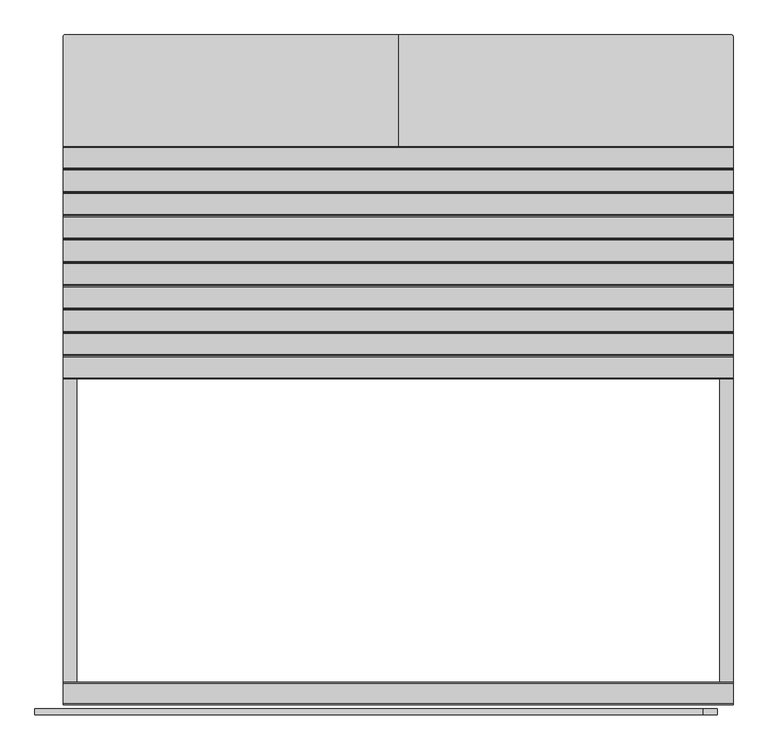
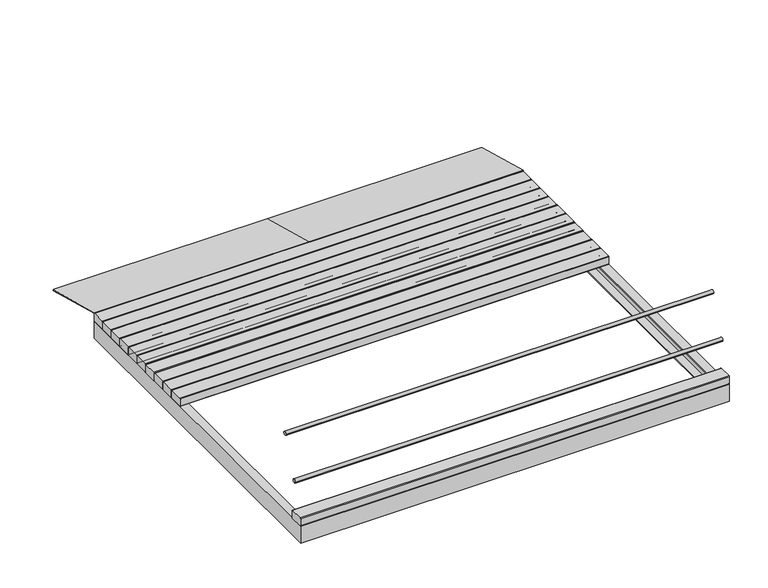
"""IFC4 building model written with IfcOpenShell, lengths in millimetres: furniture geometry."""

from ifc_helpers import new_model, si_unit, point, frame, frame_2d, origin, place, context, project, spatial, circle_curve, ellipse_curve, trimmed, segment, composite_curve, outline, extrude, faceted_brep, source, transform, mapped, element, save
from ifc_brep_helpers import plane_surface, cylinder_surface, advanced_brep


def furniture_f4653407(model_context):
    return source(origin(), model_context, "Body", "SolidModel", [
        advanced_brep(
        [(1199.9999759, 170.2169348, 172.8), (1199.9999759, 167.2169348, 169.8), (1199.9999759, 167.2169348, 128.3), (1199.9999759, 170.2169348, 125.3), (1199.9999759, 247.7883957, 125.3), (1199.9999759, 250.7821522, 128.2937565), (1199.9999759, 250.7821522, 169.8), (1199.9999759, 247.7821522, 172.8), (-1199.9998, 170.2169348, 172.8), (-1199.9998, 247.7821522, 172.8), (-1199.9998, 250.7821522, 169.8), (-1199.9998, 250.7821522, 128.2937565), (-1199.9998, 247.7883957, 125.3), (-1199.9998, 170.2169348, 125.3), (-1199.9998, 167.2169348, 128.3), (-1199.9998, 167.2169348, 169.8), (-1149.9999759, 170.2169348, 125.3), (1149.9999759, 170.2169348, 125.3), (-1149.9999759, 247.7883957, 125.3), (1149.9999759, 247.7883957, 125.3)],
        [
            (0, 1, circle_curve(frame((1199.9999759, 170.2169348, 169.8), z_axis=(1.0, 0.0, 0.0), x_axis=(0.0, -1.0, 0.0)), 3.0)),
            (1, 2),
            (2, 3, circle_curve(frame((1199.9999759, 170.2169348, 128.3), z_axis=(1.0, 0.0, 0.0), x_axis=(0.0, -1.0, 0.0)), 3.0)),
            (3, 4),
            (4, 5, circle_curve(frame((1199.9999759, 247.7883957, 128.2937565), z_axis=(1.0, 0.0, 0.0), x_axis=(0.0, -1.0, 0.0)), 2.9937565)),
            (5, 6),
            (6, 7, circle_curve(frame((1199.9999759, 247.7821522, 169.8), z_axis=(1.0, 0.0, 0.0), x_axis=(0.0, -1.0, 0.0)), 3.0)),
            (7, 0),
            (8, 9),
            (9, 10, circle_curve(frame((-1199.9998, 247.7821522, 169.8), z_axis=(-1.0, 0.0, 0.0), x_axis=(0.0, -1.0, 0.0)), 3.0)),
            (10, 11),
            (11, 12, circle_curve(frame((-1199.9998, 247.7883957, 128.2937565), z_axis=(-1.0, 0.0, 0.0), x_axis=(0.0, -1.0, 0.0)), 2.9937565)),
            (12, 13),
            (13, 14, circle_curve(frame((-1199.9998, 170.2169348, 128.3), z_axis=(-1.0, 0.0, 0.0), x_axis=(0.0, -1.0, 0.0)), 3.0)),
            (14, 15),
            (15, 8, circle_curve(frame((-1199.9998, 170.2169348, 169.8), z_axis=(-1.0, 0.0, 0.0), x_axis=(0.0, -1.0, 0.0)), 3.0)),
            (0, 8),
            (15, 1),
            (14, 2),
            (13, 16),
            (16, 17),
            (17, 3),
            (12, 18),
            (18, 19),
            (19, 4),
            (11, 5),
            (10, 6),
            (9, 7),
        ],
        [
            plane_surface(frame((1199.9999759, 167.2169348, 169.8), z_axis=(1.0, 0.0, 0.0), x_axis=(0.0, 0.0, -1.0))),
            plane_surface(frame((-1199.9998, 167.2169348, 169.8), z_axis=(-1.0, 0.0, 0.0), x_axis=(0.0, 0.0, 1.0))),
            cylinder_surface(frame((-1199.9998, 170.2169348, 169.8), z_axis=(1.0, 0.0, 0.0), x_axis=(0.0, -1.0, 0.0)), 3.0),
            plane_surface(frame((1199.9999759, 167.2169348, 169.8), z_axis=(0.0, -1.0, 0.0), x_axis=(-1.0, 0.0, 0.0))),
            cylinder_surface(frame((-1199.9998, 170.2169348, 128.3), z_axis=(1.0, 0.0, 0.0), x_axis=(0.0, -1.0, 0.0)), 3.0),
            plane_surface(frame((1199.9999759, 170.2169348, 125.3), z_axis=(0.0, 0.0, -1.0), x_axis=(-1.0, 0.0, 0.0))),
            cylinder_surface(frame((-1199.9998, 247.7883957, 128.2937565), z_axis=(1.0, 0.0, 0.0), x_axis=(0.0, -1.0, 0.0)), 2.9937565),
            plane_surface(frame((1199.9999759, 250.7821522, 128.2937565), z_axis=(0.0, 1.0, 0.0), x_axis=(-1.0, 0.0, 0.0))),
            cylinder_surface(frame((-1199.9998, 247.7821522, 169.8), z_axis=(1.0, 0.0, 0.0), x_axis=(0.0, -1.0, 0.0)), 3.0),
            plane_surface(frame((1199.9999759, 247.7821522, 172.8), z_axis=(0.0, 0.0, 1.0), x_axis=(-1.0, 0.0, 0.0))),
        ],
        [
            (0, [[1, 2, 3, 4, 5, 6, 7, 8]]),
            (1, [[9, 10, 11, 12, 13, 14, 15, 16]]),
            (2, [[-1, 17, -16, 18]]),
            (3, [[-2, -18, -15, 19]]),
            (4, [[-3, -19, -14, 20, 21, 22]]),
            (5, [[-4, -22, -21, -20, -13, 23, 24, 25]]),
            (6, [[-5, -25, -24, -23, -12, 26]]),
            (7, [[-6, -26, -11, 27]]),
            (8, [[-7, -27, -10, 28]]),
            (9, [[-8, -28, -9, -17]]),
        ],
    ),
        advanced_brep(
        [(1199.9999759, 253.7821522, 172.8), (1199.9999759, 250.7821522, 169.8), (1199.9999759, 250.7821522, 128.3), (1199.9999759, 253.7821522, 125.3), (1199.9999759, 331.3536131, 125.3), (1199.9999759, 334.3473696, 128.2937565), (1199.9999759, 334.3473696, 169.8), (1199.9999759, 331.3473696, 172.8), (-1199.9998, 253.7821522, 172.8), (-1199.9998, 331.3473696, 172.8), (-1199.9998, 334.3473696, 169.8), (-1199.9998, 334.3473696, 128.2937565), (-1199.9998, 331.3536131, 125.3), (-1199.9998, 253.7821522, 125.3), (-1199.9998, 250.7821522, 128.3), (-1199.9998, 250.7821522, 169.8), (-1149.9999759, 253.7821522, 125.3), (1149.9999759, 253.7821522, 125.3), (-1149.9999759, 331.3536131, 125.3), (1149.9999759, 331.3536131, 125.3)],
        [
            (0, 1, circle_curve(frame((1199.9999759, 253.7821522, 169.8), z_axis=(1.0, 0.0, 0.0), x_axis=(0.0, -1.0, 0.0)), 3.0)),
            (1, 2),
            (2, 3, circle_curve(frame((1199.9999759, 253.7821522, 128.3), z_axis=(1.0, 0.0, 0.0), x_axis=(0.0, -1.0, 0.0)), 3.0)),
            (3, 4),
            (4, 5, circle_curve(frame((1199.9999759, 331.3536131, 128.2937565), z_axis=(1.0, 0.0, 0.0), x_axis=(0.0, -1.0, 0.0)), 2.9937565)),
            (5, 6),
            (6, 7, circle_curve(frame((1199.9999759, 331.3473696, 169.8), z_axis=(1.0, 0.0, 0.0), x_axis=(0.0, -1.0, 0.0)), 3.0)),
            (7, 0),
            (8, 9),
            (9, 10, circle_curve(frame((-1199.9998, 331.3473696, 169.8), z_axis=(-1.0, 0.0, 0.0), x_axis=(0.0, -1.0, 0.0)), 3.0)),
            (10, 11),
            (11, 12, circle_curve(frame((-1199.9998, 331.3536131, 128.2937565), z_axis=(-1.0, 0.0, 0.0), x_axis=(0.0, -1.0, 0.0)), 2.9937565)),
            (12, 13),
            (13, 14, circle_curve(frame((-1199.9998, 253.7821522, 128.3), z_axis=(-1.0, 0.0, 0.0), x_axis=(0.0, -1.0, 0.0)), 3.0)),
            (14, 15),
            (15, 8, circle_curve(frame((-1199.9998, 253.7821522, 169.8), z_axis=(-1.0, 0.0, 0.0), x_axis=(0.0, -1.0, 0.0)), 3.0)),
            (0, 8),
            (15, 1),
            (14, 2),
            (13, 16),
            (16, 17),
            (17, 3),
            (12, 18),
            (18, 19),
            (19, 4),
            (11, 5),
            (10, 6),
            (9, 7),
        ],
        [
            plane_surface(frame((1199.9999759, 250.7821522, 169.8), z_axis=(1.0, 0.0, 0.0), x_axis=(0.0, 0.0, -1.0))),
            plane_surface(frame((-1199.9998, 250.7821522, 169.8), z_axis=(-1.0, 0.0, 0.0), x_axis=(0.0, 0.0, 1.0))),
            cylinder_surface(frame((-1199.9998, 253.7821522, 169.8), z_axis=(1.0, 0.0, 0.0), x_axis=(0.0, -1.0, 0.0)), 3.0),
            plane_surface(frame((1199.9999759, 250.7821522, 169.8), z_axis=(0.0, -1.0, 0.0), x_axis=(-1.0, 0.0, 0.0))),
            cylinder_surface(frame((-1199.9998, 253.7821522, 128.3), z_axis=(1.0, 0.0, 0.0), x_axis=(0.0, -1.0, 0.0)), 3.0),
            plane_surface(frame((1199.9999759, 253.7821522, 125.3), z_axis=(0.0, 0.0, -1.0), x_axis=(-1.0, 0.0, 0.0))),
            cylinder_surface(frame((-1199.9998, 331.3536131, 128.2937565), z_axis=(1.0, 0.0, 0.0), x_axis=(0.0, -1.0, 0.0)), 2.9937565),
            plane_surface(frame((1199.9999759, 334.3473696, 128.2937565), z_axis=(0.0, 1.0, 0.0), x_axis=(-1.0, 0.0, 0.0))),
            cylinder_surface(frame((-1199.9998, 331.3473696, 169.8), z_axis=(1.0, 0.0, 0.0), x_axis=(0.0, -1.0, 0.0)), 3.0),
            plane_surface(frame((1199.9999759, 331.3473696, 172.8), z_axis=(0.0, 0.0, 1.0), x_axis=(-1.0, 0.0, 0.0))),
        ],
        [
            (0, [[1, 2, 3, 4, 5, 6, 7, 8]]),
            (1, [[9, 10, 11, 12, 13, 14, 15, 16]]),
            (2, [[-1, 17, -16, 18]]),
            (3, [[-2, -18, -15, 19]]),
            (4, [[-3, -19, -14, 20, 21, 22]]),
            (5, [[-4, -22, -21, -20, -13, 23, 24, 25]]),
            (6, [[-5, -25, -24, -23, -12, 26]]),
            (7, [[-6, -26, -11, 27]]),
            (8, [[-7, -27, -10, 28]]),
            (9, [[-8, -28, -9, -17]]),
        ],
    ),
        advanced_brep(
        [(1199.9999759, 337.3473696, 172.8), (1199.9999759, 334.3473696, 169.8), (1199.9999759, 334.3473696, 128.3), (1199.9999759, 337.3473696, 125.3), (1199.9999759, 414.9188305, 125.3), (1199.9999759, 417.912587, 128.2937565), (1199.9999759, 417.912587, 169.8), (1199.9999759, 414.912587, 172.8), (-1199.9998, 337.3473696, 172.8), (-1199.9998, 414.912587, 172.8), (-1199.9998, 417.912587, 169.8), (-1199.9998, 417.912587, 128.2937565), (-1199.9998, 414.9188305, 125.3), (-1199.9998, 337.3473696, 125.3), (-1199.9998, 334.3473696, 128.3), (-1199.9998, 334.3473696, 169.8), (-1149.9999759, 337.3473696, 125.3), (1149.9999759, 337.3473696, 125.3), (-1149.9999759, 414.9188305, 125.3), (1149.9999759, 414.9188305, 125.3)],
        [
            (0, 1, circle_curve(frame((1199.9999759, 337.3473696, 169.8), z_axis=(1.0, 0.0, 0.0), x_axis=(0.0, -1.0, 0.0)), 3.0)),
            (1, 2),
            (2, 3, circle_curve(frame((1199.9999759, 337.3473696, 128.3), z_axis=(1.0, 0.0, 0.0), x_axis=(0.0, -1.0, 0.0)), 3.0)),
            (3, 4),
            (4, 5, circle_curve(frame((1199.9999759, 414.9188305, 128.2937565), z_axis=(1.0, 0.0, 0.0), x_axis=(0.0, -1.0, 0.0)), 2.9937565)),
            (5, 6),
            (6, 7, circle_curve(frame((1199.9999759, 414.912587, 169.8), z_axis=(1.0, 0.0, 0.0), x_axis=(0.0, -1.0, 0.0)), 3.0)),
            (7, 0),
            (8, 9),
            (9, 10, circle_curve(frame((-1199.9998, 414.912587, 169.8), z_axis=(-1.0, 0.0, 0.0), x_axis=(0.0, -1.0, 0.0)), 3.0)),
            (10, 11),
            (11, 12, circle_curve(frame((-1199.9998, 414.9188305, 128.2937565), z_axis=(-1.0, 0.0, 0.0), x_axis=(0.0, -1.0, 0.0)), 2.9937565)),
            (12, 13),
            (13, 14, circle_curve(frame((-1199.9998, 337.3473696, 128.3), z_axis=(-1.0, 0.0, 0.0), x_axis=(0.0, -1.0, 0.0)), 3.0)),
            (14, 15),
            (15, 8, circle_curve(frame((-1199.9998, 337.3473696, 169.8), z_axis=(-1.0, 0.0, 0.0), x_axis=(0.0, -1.0, 0.0)), 3.0)),
            (0, 8),
            (15, 1),
            (14, 2),
            (13, 16),
            (16, 17),
            (17, 3),
            (12, 18),
            (18, 19),
            (19, 4),
            (11, 5),
            (10, 6),
            (9, 7),
        ],
        [
            plane_surface(frame((1199.9999759, 334.3473696, 169.8), z_axis=(1.0, 0.0, 0.0), x_axis=(0.0, 0.0, -1.0))),
            plane_surface(frame((-1199.9998, 334.3473696, 169.8), z_axis=(-1.0, 0.0, 0.0), x_axis=(0.0, 0.0, 1.0))),
            cylinder_surface(frame((-1199.9998, 337.3473696, 169.8), z_axis=(1.0, 0.0, 0.0), x_axis=(0.0, -1.0, 0.0)), 3.0),
            plane_surface(frame((1199.9999759, 334.3473696, 169.8), z_axis=(0.0, -1.0, 0.0), x_axis=(-1.0, 0.0, 0.0))),
            cylinder_surface(frame((-1199.9998, 337.3473696, 128.3), z_axis=(1.0, 0.0, 0.0), x_axis=(0.0, -1.0, 0.0)), 3.0),
            plane_surface(frame((1199.9999759, 337.3473696, 125.3), z_axis=(0.0, 0.0, -1.0), x_axis=(-1.0, 0.0, 0.0))),
            cylinder_surface(frame((-1199.9998, 414.9188305, 128.2937565), z_axis=(1.0, 0.0, 0.0), x_axis=(0.0, -1.0, 0.0)), 2.9937565),
            plane_surface(frame((1199.9999759, 417.912587, 128.2937565), z_axis=(0.0, 1.0, 0.0), x_axis=(-1.0, 0.0, 0.0))),
            cylinder_surface(frame((-1199.9998, 414.912587, 169.8), z_axis=(1.0, 0.0, 0.0), x_axis=(0.0, -1.0, 0.0)), 3.0),
            plane_surface(frame((1199.9999759, 414.912587, 172.8), z_axis=(0.0, 0.0, 1.0), x_axis=(-1.0, 0.0, 0.0))),
        ],
        [
            (0, [[1, 2, 3, 4, 5, 6, 7, 8]]),
            (1, [[9, 10, 11, 12, 13, 14, 15, 16]]),
            (2, [[-1, 17, -16, 18]]),
            (3, [[-2, -18, -15, 19]]),
            (4, [[-3, -19, -14, 20, 21, 22]]),
            (5, [[-4, -22, -21, -20, -13, 23, 24, 25]]),
            (6, [[-5, -25, -24, -23, -12, 26]]),
            (7, [[-6, -26, -11, 27]]),
            (8, [[-7, -27, -10, 28]]),
            (9, [[-8, -28, -9, -17]]),
        ],
    ),
        advanced_brep(
        [(1199.9999759, 420.912587, 172.8), (1199.9999759, 417.912587, 169.8), (1199.9999759, 417.912587, 128.3), (1199.9999759, 420.912587, 125.3), (1199.9999759, 498.4840479, 125.3), (1199.9999759, 501.4778043, 128.2937565), (1199.9999759, 501.4778043, 169.8), (1199.9999759, 498.4778043, 172.8), (-1199.9998, 420.912587, 172.8), (-1199.9998, 498.4778043, 172.8), (-1199.9998, 501.4778043, 169.8), (-1199.9998, 501.4778043, 128.2937565), (-1199.9998, 498.4840479, 125.3), (-1199.9998, 420.912587, 125.3), (-1199.9998, 417.912587, 128.3), (-1199.9998, 417.912587, 169.8), (-1149.9999759, 420.912587, 125.3), (1149.9999759, 420.912587, 125.3), (-1149.9999759, 498.4840479, 125.3), (1149.9999759, 498.4840479, 125.3)],
        [
            (0, 1, circle_curve(frame((1199.9999759, 420.912587, 169.8), z_axis=(1.0, 0.0, 0.0), x_axis=(0.0, -1.0, 0.0)), 3.0)),
            (1, 2),
            (2, 3, circle_curve(frame((1199.9999759, 420.912587, 128.3), z_axis=(1.0, 0.0, 0.0), x_axis=(0.0, -1.0, 0.0)), 3.0)),
            (3, 4),
            (4, 5, circle_curve(frame((1199.9999759, 498.4840479, 128.2937565), z_axis=(1.0, 0.0, 0.0), x_axis=(0.0, -1.0, 0.0)), 2.9937565)),
            (5, 6),
            (6, 7, circle_curve(frame((1199.9999759, 498.4778043, 169.8), z_axis=(1.0, 0.0, 0.0), x_axis=(0.0, -1.0, 0.0)), 3.0)),
            (7, 0),
            (8, 9),
            (9, 10, circle_curve(frame((-1199.9998, 498.4778043, 169.8), z_axis=(-1.0, 0.0, 0.0), x_axis=(0.0, -1.0, 0.0)), 3.0)),
            (10, 11),
            (11, 12, circle_curve(frame((-1199.9998, 498.4840479, 128.2937565), z_axis=(-1.0, 0.0, 0.0), x_axis=(0.0, -1.0, 0.0)), 2.9937565)),
            (12, 13),
            (13, 14, circle_curve(frame((-1199.9998, 420.912587, 128.3), z_axis=(-1.0, 0.0, 0.0), x_axis=(0.0, -1.0, 0.0)), 3.0)),
            (14, 15),
            (15, 8, circle_curve(frame((-1199.9998, 420.912587, 169.8), z_axis=(-1.0, 0.0, 0.0), x_axis=(0.0, -1.0, 0.0)), 3.0)),
            (0, 8),
            (15, 1),
            (14, 2),
            (13, 16),
            (16, 17),
            (17, 3),
            (12, 18),
            (18, 19),
            (19, 4),
            (11, 5),
            (10, 6),
            (9, 7),
        ],
        [
            plane_surface(frame((1199.9999759, 417.912587, 169.8), z_axis=(1.0, 0.0, 0.0), x_axis=(0.0, 0.0, -1.0))),
            plane_surface(frame((-1199.9998, 417.912587, 169.8), z_axis=(-1.0, 0.0, 0.0), x_axis=(0.0, 0.0, 1.0))),
            cylinder_surface(frame((-1199.9998, 420.912587, 169.8), z_axis=(1.0, 0.0, 0.0), x_axis=(0.0, -1.0, 0.0)), 3.0),
            plane_surface(frame((1199.9999759, 417.912587, 169.8), z_axis=(0.0, -1.0, 0.0), x_axis=(-1.0, 0.0, 0.0))),
            cylinder_surface(frame((-1199.9998, 420.912587, 128.3), z_axis=(1.0, 0.0, 0.0), x_axis=(0.0, -1.0, 0.0)), 3.0),
            plane_surface(frame((1199.9999759, 420.912587, 125.3), z_axis=(0.0, 0.0, -1.0), x_axis=(-1.0, 0.0, 0.0))),
            cylinder_surface(frame((-1199.9998, 498.4840479, 128.2937565), z_axis=(1.0, 0.0, 0.0), x_axis=(0.0, -1.0, 0.0)), 2.9937565),
            plane_surface(frame((1199.9999759, 501.4778043, 128.2937565), z_axis=(0.0, 1.0, 0.0), x_axis=(-1.0, 0.0, 0.0))),
            cylinder_surface(frame((-1199.9998, 498.4778043, 169.8), z_axis=(1.0, 0.0, 0.0), x_axis=(0.0, -1.0, 0.0)), 3.0),
            plane_surface(frame((1199.9999759, 498.4778043, 172.8), z_axis=(0.0, 0.0, 1.0), x_axis=(-1.0, 0.0, 0.0))),
        ],
        [
            (0, [[1, 2, 3, 4, 5, 6, 7, 8]]),
            (1, [[9, 10, 11, 12, 13, 14, 15, 16]]),
            (2, [[-1, 17, -16, 18]]),
            (3, [[-2, -18, -15, 19]]),
            (4, [[-3, -19, -14, 20, 21, 22]]),
            (5, [[-4, -22, -21, -20, -13, 23, 24, 25]]),
            (6, [[-5, -25, -24, -23, -12, 26]]),
            (7, [[-6, -26, -11, 27]]),
            (8, [[-7, -27, -10, 28]]),
            (9, [[-8, -28, -9, -17]]),
        ],
    ),
        advanced_brep(
        [(1199.9999759, 504.4778043, 172.8), (1199.9999759, 501.4778043, 169.8), (1199.9999759, 501.4778043, 128.3), (1199.9999759, 504.4778043, 125.3), (1199.9999759, 582.0492653, 125.3), (1199.9999759, 585.0430217, 128.2937565), (1199.9999759, 585.0430217, 169.8), (1199.9999759, 582.0430217, 172.8), (-1199.9998, 504.4778043, 172.8), (-1199.9998, 582.0430217, 172.8), (-1199.9998, 585.0430217, 169.8), (-1199.9998, 585.0430217, 128.2937565), (-1199.9998, 582.0492653, 125.3), (-1199.9998, 504.4778043, 125.3), (-1199.9998, 501.4778043, 128.3), (-1199.9998, 501.4778043, 169.8), (-1149.9999759, 504.4778043, 125.3), (1149.9999759, 504.4778043, 125.3), (-1149.9999759, 582.0492653, 125.3), (1149.9999759, 582.0492653, 125.3)],
        [
            (0, 1, circle_curve(frame((1199.9999759, 504.4778043, 169.8), z_axis=(1.0, 0.0, 0.0), x_axis=(0.0, -1.0, 0.0)), 3.0)),
            (1, 2),
            (2, 3, circle_curve(frame((1199.9999759, 504.4778043, 128.3), z_axis=(1.0, 0.0, 0.0), x_axis=(0.0, -1.0, 0.0)), 3.0)),
            (3, 4),
            (4, 5, circle_curve(frame((1199.9999759, 582.0492653, 128.2937565), z_axis=(1.0, 0.0, 0.0), x_axis=(0.0, -1.0, 0.0)), 2.9937565)),
            (5, 6),
            (6, 7, circle_curve(frame((1199.9999759, 582.0430217, 169.8), z_axis=(1.0, 0.0, 0.0), x_axis=(0.0, -1.0, 0.0)), 3.0)),
            (7, 0),
            (8, 9),
            (9, 10, circle_curve(frame((-1199.9998, 582.0430217, 169.8), z_axis=(-1.0, 0.0, 0.0), x_axis=(0.0, -1.0, 0.0)), 3.0)),
            (10, 11),
            (11, 12, circle_curve(frame((-1199.9998, 582.0492653, 128.2937565), z_axis=(-1.0, 0.0, 0.0), x_axis=(0.0, -1.0, 0.0)), 2.9937565)),
            (12, 13),
            (13, 14, circle_curve(frame((-1199.9998, 504.4778043, 128.3), z_axis=(-1.0, 0.0, 0.0), x_axis=(0.0, -1.0, 0.0)), 3.0)),
            (14, 15),
            (15, 8, circle_curve(frame((-1199.9998, 504.4778043, 169.8), z_axis=(-1.0, 0.0, 0.0), x_axis=(0.0, -1.0, 0.0)), 3.0)),
            (0, 8),
            (15, 1),
            (14, 2),
            (13, 16),
            (16, 17),
            (17, 3),
            (12, 18),
            (18, 19),
            (19, 4),
            (11, 5),
            (10, 6),
            (9, 7),
        ],
        [
            plane_surface(frame((1199.9999759, 501.4778043, 169.8), z_axis=(1.0, 0.0, 0.0), x_axis=(0.0, 0.0, -1.0))),
            plane_surface(frame((-1199.9998, 501.4778043, 169.8), z_axis=(-1.0, 0.0, 0.0), x_axis=(0.0, 0.0, 1.0))),
            cylinder_surface(frame((-1199.9998, 504.4778043, 169.8), z_axis=(1.0, 0.0, 0.0), x_axis=(0.0, -1.0, 0.0)), 3.0),
            plane_surface(frame((1199.9999759, 501.4778043, 169.8), z_axis=(0.0, -1.0, 0.0), x_axis=(-1.0, 0.0, 0.0))),
            cylinder_surface(frame((-1199.9998, 504.4778043, 128.3), z_axis=(1.0, 0.0, 0.0), x_axis=(0.0, -1.0, 0.0)), 3.0),
            plane_surface(frame((1199.9999759, 504.4778043, 125.3), z_axis=(0.0, 0.0, -1.0), x_axis=(-1.0, 0.0, 0.0))),
            cylinder_surface(frame((-1199.9998, 582.0492653, 128.2937565), z_axis=(1.0, 0.0, 0.0), x_axis=(0.0, -1.0, 0.0)), 2.9937565),
            plane_surface(frame((1199.9999759, 585.0430217, 128.2937565), z_axis=(0.0, 1.0, 0.0), x_axis=(-1.0, 0.0, 0.0))),
            cylinder_surface(frame((-1199.9998, 582.0430217, 169.8), z_axis=(1.0, 0.0, 0.0), x_axis=(0.0, -1.0, 0.0)), 3.0),
            plane_surface(frame((1199.9999759, 582.0430217, 172.8), z_axis=(0.0, 0.0, 1.0), x_axis=(-1.0, 0.0, 0.0))),
        ],
        [
            (0, [[1, 2, 3, 4, 5, 6, 7, 8]]),
            (1, [[9, 10, 11, 12, 13, 14, 15, 16]]),
            (2, [[-1, 17, -16, 18]]),
            (3, [[-2, -18, -15, 19]]),
            (4, [[-3, -19, -14, 20, 21, 22]]),
            (5, [[-4, -22, -21, -20, -13, 23, 24, 25]]),
            (6, [[-5, -25, -24, -23, -12, 26]]),
            (7, [[-6, -26, -11, 27]]),
            (8, [[-7, -27, -10, 28]]),
            (9, [[-8, -28, -9, -17]]),
        ],
    ),
        advanced_brep(
        [(1199.9999759, 588.0430217, 172.8), (1199.9999759, 585.0430217, 169.8), (1199.9999759, 585.0430217, 128.3), (1199.9999759, 588.0430217, 125.3), (1199.9999759, 665.6144826, 125.3), (1199.9999759, 668.6082391, 128.2937565), (1199.9999759, 668.6082391, 169.8), (1199.9999759, 665.6082391, 172.8), (-1199.9998, 588.0430217, 172.8), (-1199.9998, 665.6082391, 172.8), (-1199.9998, 668.6082391, 169.8), (-1199.9998, 668.6082391, 128.2937565), (-1199.9998, 665.6144826, 125.3), (-1199.9998, 588.0430217, 125.3), (-1199.9998, 585.0430217, 128.3), (-1199.9998, 585.0430217, 169.8), (-1149.9999759, 588.0430217, 125.3), (1149.9999759, 588.0430217, 125.3), (-1149.9999759, 665.6144826, 125.3), (1149.9999759, 665.6144826, 125.3)],
        [
            (0, 1, circle_curve(frame((1199.9999759, 588.0430217, 169.8), z_axis=(1.0, 0.0, 0.0), x_axis=(0.0, -1.0, 0.0)), 3.0)),
            (1, 2),
            (2, 3, circle_curve(frame((1199.9999759, 588.0430217, 128.3), z_axis=(1.0, 0.0, 0.0), x_axis=(0.0, -1.0, 0.0)), 3.0)),
            (3, 4),
            (4, 5, circle_curve(frame((1199.9999759, 665.6144826, 128.2937565), z_axis=(1.0, 0.0, 0.0), x_axis=(0.0, -1.0, 0.0)), 2.9937565)),
            (5, 6),
            (6, 7, circle_curve(frame((1199.9999759, 665.6082391, 169.8), z_axis=(1.0, 0.0, 0.0), x_axis=(0.0, -1.0, 0.0)), 3.0)),
            (7, 0),
            (8, 9),
            (9, 10, circle_curve(frame((-1199.9998, 665.6082391, 169.8), z_axis=(-1.0, 0.0, 0.0), x_axis=(0.0, -1.0, 0.0)), 3.0)),
            (10, 11),
            (11, 12, circle_curve(frame((-1199.9998, 665.6144826, 128.2937565), z_axis=(-1.0, 0.0, 0.0), x_axis=(0.0, -1.0, 0.0)), 2.9937565)),
            (12, 13),
            (13, 14, circle_curve(frame((-1199.9998, 588.0430217, 128.3), z_axis=(-1.0, 0.0, 0.0), x_axis=(0.0, -1.0, 0.0)), 3.0)),
            (14, 15),
            (15, 8, circle_curve(frame((-1199.9998, 588.0430217, 169.8), z_axis=(-1.0, 0.0, 0.0), x_axis=(0.0, -1.0, 0.0)), 3.0)),
            (0, 8),
            (15, 1),
            (14, 2),
            (13, 16),
            (16, 17),
            (17, 3),
            (12, 18),
            (18, 19),
            (19, 4),
            (11, 5),
            (10, 6),
            (9, 7),
        ],
        [
            plane_surface(frame((1199.9999759, 585.0430217, 169.8), z_axis=(1.0, 0.0, 0.0), x_axis=(0.0, 0.0, -1.0))),
            plane_surface(frame((-1199.9998, 585.0430217, 169.8), z_axis=(-1.0, 0.0, 0.0), x_axis=(0.0, 0.0, 1.0))),
            cylinder_surface(frame((-1199.9998, 588.0430217, 169.8), z_axis=(1.0, 0.0, 0.0), x_axis=(0.0, -1.0, 0.0)), 3.0),
            plane_surface(frame((1199.9999759, 585.0430217, 169.8), z_axis=(0.0, -1.0, 0.0), x_axis=(-1.0, 0.0, 0.0))),
            cylinder_surface(frame((-1199.9998, 588.0430217, 128.3), z_axis=(1.0, 0.0, 0.0), x_axis=(0.0, -1.0, 0.0)), 3.0),
            plane_surface(frame((1199.9999759, 588.0430217, 125.3), z_axis=(0.0, 0.0, -1.0), x_axis=(-1.0, 0.0, 0.0))),
            cylinder_surface(frame((-1199.9998, 665.6144826, 128.2937565), z_axis=(1.0, 0.0, 0.0), x_axis=(0.0, -1.0, 0.0)), 2.9937565),
            plane_surface(frame((1199.9999759, 668.6082391, 128.2937565), z_axis=(0.0, 1.0, 0.0), x_axis=(-1.0, 0.0, 0.0))),
            cylinder_surface(frame((-1199.9998, 665.6082391, 169.8), z_axis=(1.0, 0.0, 0.0), x_axis=(0.0, -1.0, 0.0)), 3.0),
            plane_surface(frame((1199.9999759, 665.6082391, 172.8), z_axis=(0.0, 0.0, 1.0), x_axis=(-1.0, 0.0, 0.0))),
        ],
        [
            (0, [[1, 2, 3, 4, 5, 6, 7, 8]]),
            (1, [[9, 10, 11, 12, 13, 14, 15, 16]]),
            (2, [[-1, 17, -16, 18]]),
            (3, [[-2, -18, -15, 19]]),
            (4, [[-3, -19, -14, 20, 21, 22]]),
            (5, [[-4, -22, -21, -20, -13, 23, 24, 25]]),
            (6, [[-5, -25, -24, -23, -12, 26]]),
            (7, [[-6, -26, -11, 27]]),
            (8, [[-7, -27, -10, 28]]),
            (9, [[-8, -28, -9, -17]]),
        ],
    ),
        advanced_brep(
        [(1199.9999759, 671.6082391, 172.8), (1199.9999759, 668.6082391, 169.8), (1199.9999759, 668.6082391, 128.3), (1199.9999759, 671.6082391, 125.3), (1199.9999759, 749.1797, 125.3), (1199.9999759, 752.1734565, 128.2937565), (1199.9999759, 752.1734565, 169.8), (1199.9999759, 749.1734565, 172.8), (-1199.9998, 671.6082391, 172.8), (-1199.9998, 749.1734565, 172.8), (-1199.9998, 752.1734565, 169.8), (-1199.9998, 752.1734565, 128.2937565), (-1199.9998, 749.1797, 125.3), (-1199.9998, 671.6082391, 125.3), (-1199.9998, 668.6082391, 128.3), (-1199.9998, 668.6082391, 169.8), (-1149.9999759, 671.6082391, 125.3), (1149.9999759, 671.6082391, 125.3), (-1149.9999759, 749.1797, 125.3), (1149.9999759, 749.1797, 125.3)],
        [
            (0, 1, circle_curve(frame((1199.9999759, 671.6082391, 169.8), z_axis=(1.0, 0.0, 0.0), x_axis=(0.0, -1.0, 0.0)), 3.0)),
            (1, 2),
            (2, 3, circle_curve(frame((1199.9999759, 671.6082391, 128.3), z_axis=(1.0, 0.0, 0.0), x_axis=(0.0, -1.0, 0.0)), 3.0)),
            (3, 4),
            (4, 5, circle_curve(frame((1199.9999759, 749.1797, 128.2937565), z_axis=(1.0, 0.0, 0.0), x_axis=(0.0, -1.0, 0.0)), 2.9937565)),
            (5, 6),
            (6, 7, circle_curve(frame((1199.9999759, 749.1734565, 169.8), z_axis=(1.0, 0.0, 0.0), x_axis=(0.0, -1.0, 0.0)), 3.0)),
            (7, 0),
            (8, 9),
            (9, 10, circle_curve(frame((-1199.9998, 749.1734565, 169.8), z_axis=(-1.0, 0.0, 0.0), x_axis=(0.0, -1.0, 0.0)), 3.0)),
            (10, 11),
            (11, 12, circle_curve(frame((-1199.9998, 749.1797, 128.2937565), z_axis=(-1.0, 0.0, 0.0), x_axis=(0.0, -1.0, 0.0)), 2.9937565)),
            (12, 13),
            (13, 14, circle_curve(frame((-1199.9998, 671.6082391, 128.3), z_axis=(-1.0, 0.0, 0.0), x_axis=(0.0, -1.0, 0.0)), 3.0)),
            (14, 15),
            (15, 8, circle_curve(frame((-1199.9998, 671.6082391, 169.8), z_axis=(-1.0, 0.0, 0.0), x_axis=(0.0, -1.0, 0.0)), 3.0)),
            (0, 8),
            (15, 1),
            (14, 2),
            (13, 16),
            (16, 17),
            (17, 3),
            (12, 18),
            (18, 19),
            (19, 4),
            (11, 5),
            (10, 6),
            (9, 7),
        ],
        [
            plane_surface(frame((1199.9999759, 668.6082391, 169.8), z_axis=(1.0, 0.0, 0.0), x_axis=(0.0, 0.0, -1.0))),
            plane_surface(frame((-1199.9998, 668.6082391, 169.8), z_axis=(-1.0, 0.0, 0.0), x_axis=(0.0, 0.0, 1.0))),
            cylinder_surface(frame((-1199.9998, 671.6082391, 169.8), z_axis=(1.0, 0.0, 0.0), x_axis=(0.0, -1.0, 0.0)), 3.0),
            plane_surface(frame((1199.9999759, 668.6082391, 169.8), z_axis=(0.0, -1.0, 0.0), x_axis=(-1.0, 0.0, 0.0))),
            cylinder_surface(frame((-1199.9998, 671.6082391, 128.3), z_axis=(1.0, 0.0, 0.0), x_axis=(0.0, -1.0, 0.0)), 3.0),
            plane_surface(frame((1199.9999759, 671.6082391, 125.3), z_axis=(0.0, 0.0, -1.0), x_axis=(-1.0, 0.0, 0.0))),
            cylinder_surface(frame((-1199.9998, 749.1797, 128.2937565), z_axis=(1.0, 0.0, 0.0), x_axis=(0.0, -1.0, 0.0)), 2.9937565),
            plane_surface(frame((1199.9999759, 752.1734565, 128.2937565), z_axis=(0.0, 1.0, 0.0), x_axis=(-1.0, 0.0, 0.0))),
            cylinder_surface(frame((-1199.9998, 749.1734565, 169.8), z_axis=(1.0, 0.0, 0.0), x_axis=(0.0, -1.0, 0.0)), 3.0),
            plane_surface(frame((1199.9999759, 749.1734565, 172.8), z_axis=(0.0, 0.0, 1.0), x_axis=(-1.0, 0.0, 0.0))),
        ],
        [
            (0, [[1, 2, 3, 4, 5, 6, 7, 8]]),
            (1, [[9, 10, 11, 12, 13, 14, 15, 16]]),
            (2, [[-1, 17, -16, 18]]),
            (3, [[-2, -18, -15, 19]]),
            (4, [[-3, -19, -14, 20, 21, 22]]),
            (5, [[-4, -22, -21, -20, -13, 23, 24, 25]]),
            (6, [[-5, -25, -24, -23, -12, 26]]),
            (7, [[-6, -26, -11, 27]]),
            (8, [[-7, -27, -10, 28]]),
            (9, [[-8, -28, -9, -17]]),
        ],
    ),
        advanced_brep(
        [(1199.9999759, 755.1734565, 172.8), (1199.9999759, 752.1734565, 169.8), (1199.9999759, 752.1734565, 128.3), (1199.9999759, 755.1734565, 125.3), (1199.9999759, 832.7449174, 125.3), (1199.9999759, 835.7386739, 128.2937565), (1199.9999759, 835.7386739, 169.8), (1199.9999759, 832.7386739, 172.8), (-1199.9998, 755.1734565, 172.8), (-1199.9998, 832.7386739, 172.8), (-1199.9998, 835.7386739, 169.8), (-1199.9998, 835.7386739, 128.2937565), (-1199.9998, 832.7449174, 125.3), (-1199.9998, 755.1734565, 125.3), (-1199.9998, 752.1734565, 128.3), (-1199.9998, 752.1734565, 169.8), (-1149.9999759, 755.1734565, 125.3), (1149.9999759, 755.1734565, 125.3), (-1149.9999759, 832.7449174, 125.3), (1149.9999759, 832.7449174, 125.3)],
        [
            (0, 1, circle_curve(frame((1199.9999759, 755.1734565, 169.8), z_axis=(1.0, 0.0, 0.0), x_axis=(0.0, -1.0, 0.0)), 3.0)),
            (1, 2),
            (2, 3, circle_curve(frame((1199.9999759, 755.1734565, 128.3), z_axis=(1.0, 0.0, 0.0), x_axis=(0.0, -1.0, 0.0)), 3.0)),
            (3, 4),
            (4, 5, circle_curve(frame((1199.9999759, 832.7449174, 128.2937565), z_axis=(1.0, 0.0, 0.0), x_axis=(0.0, -1.0, 0.0)), 2.9937565)),
            (5, 6),
            (6, 7, circle_curve(frame((1199.9999759, 832.7386739, 169.8), z_axis=(1.0, 0.0, 0.0), x_axis=(0.0, -1.0, 0.0)), 3.0)),
            (7, 0),
            (8, 9),
            (9, 10, circle_curve(frame((-1199.9998, 832.7386739, 169.8), z_axis=(-1.0, 0.0, 0.0), x_axis=(0.0, -1.0, 0.0)), 3.0)),
            (10, 11),
            (11, 12, circle_curve(frame((-1199.9998, 832.7449174, 128.2937565), z_axis=(-1.0, 0.0, 0.0), x_axis=(0.0, -1.0, 0.0)), 2.9937565)),
            (12, 13),
            (13, 14, circle_curve(frame((-1199.9998, 755.1734565, 128.3), z_axis=(-1.0, 0.0, 0.0), x_axis=(0.0, -1.0, 0.0)), 3.0)),
            (14, 15),
            (15, 8, circle_curve(frame((-1199.9998, 755.1734565, 169.8), z_axis=(-1.0, 0.0, 0.0), x_axis=(0.0, -1.0, 0.0)), 3.0)),
            (0, 8),
            (15, 1),
            (14, 2),
            (13, 16),
            (16, 17),
            (17, 3),
            (12, 18),
            (18, 19),
            (19, 4),
            (11, 5),
            (10, 6),
            (9, 7),
        ],
        [
            plane_surface(frame((1199.9999759, 752.1734565, 169.8), z_axis=(1.0, 0.0, 0.0), x_axis=(0.0, 0.0, -1.0))),
            plane_surface(frame((-1199.9998, 752.1734565, 169.8), z_axis=(-1.0, 0.0, 0.0), x_axis=(0.0, 0.0, 1.0))),
            cylinder_surface(frame((-1199.9998, 755.1734565, 169.8), z_axis=(1.0, 0.0, 0.0), x_axis=(0.0, -1.0, 0.0)), 3.0),
            plane_surface(frame((1199.9999759, 752.1734565, 169.8), z_axis=(0.0, -1.0, 0.0), x_axis=(-1.0, 0.0, 0.0))),
            cylinder_surface(frame((-1199.9998, 755.1734565, 128.3), z_axis=(1.0, 0.0, 0.0), x_axis=(0.0, -1.0, 0.0)), 3.0),
            plane_surface(frame((1199.9999759, 755.1734565, 125.3), z_axis=(0.0, 0.0, -1.0), x_axis=(-1.0, 0.0, 0.0))),
            cylinder_surface(frame((-1199.9998, 832.7449174, 128.2937565), z_axis=(1.0, 0.0, 0.0), x_axis=(0.0, -1.0, 0.0)), 2.9937565),
            plane_surface(frame((1199.9999759, 835.7386739, 128.2937565), z_axis=(0.0, 1.0, 0.0), x_axis=(-1.0, 0.0, 0.0))),
            cylinder_surface(frame((-1199.9998, 832.7386739, 169.8), z_axis=(1.0, 0.0, 0.0), x_axis=(0.0, -1.0, 0.0)), 3.0),
            plane_surface(frame((1199.9999759, 832.7386739, 172.8), z_axis=(0.0, 0.0, 1.0), x_axis=(-1.0, 0.0, 0.0))),
        ],
        [
            (0, [[1, 2, 3, 4, 5, 6, 7, 8]]),
            (1, [[9, 10, 11, 12, 13, 14, 15, 16]]),
            (2, [[-1, 17, -16, 18]]),
            (3, [[-2, -18, -15, 19]]),
            (4, [[-3, -19, -14, 20, 21, 22]]),
            (5, [[-4, -22, -21, -20, -13, 23, 24, 25]]),
            (6, [[-5, -25, -24, -23, -12, 26]]),
            (7, [[-6, -26, -11, 27]]),
            (8, [[-7, -27, -10, 28]]),
            (9, [[-8, -28, -9, -17]]),
        ],
    ),
        advanced_brep(
        [(1199.9999759, -997.0129851, 172.8), (1199.9999759, -1000.0129851, 169.8), (1199.9999759, -1000.0129851, 128.3), (1199.9999759, -997.0129851, 125.3), (1199.9999759, -922.1246478, 125.3), (1199.9999759, -919.1308913, 128.2937565), (1199.9999759, -919.1308913, 169.8), (1199.9999759, -922.1308913, 172.8), (-1199.9998, -997.0129851, 172.8), (-1199.9998, -922.1308913, 172.8), (-1199.9998, -919.1308913, 169.8), (-1199.9998, -919.1308913, 128.2937565), (-1199.9998, -922.1246478, 125.3), (-1199.9998, -997.0129851, 125.3), (-1199.9998, -1000.0129851, 128.3), (-1199.9998, -1000.0129851, 169.8), (-1149.9999759, -922.1246478, 125.3), (1149.9999759, -922.1246478, 125.3)],
        [
            (0, 1, circle_curve(frame((1199.9999759, -997.0129851, 169.8), z_axis=(1.0, 0.0, 0.0), x_axis=(0.0, -1.0, 0.0)), 3.0)),
            (1, 2),
            (2, 3, circle_curve(frame((1199.9999759, -997.0129851, 128.3), z_axis=(1.0, 0.0, 0.0), x_axis=(0.0, -1.0, 0.0)), 3.0)),
            (3, 4),
            (4, 5, circle_curve(frame((1199.9999759, -922.1246478, 128.2937565), z_axis=(1.0, 0.0, 0.0), x_axis=(0.0, -1.0, 0.0)), 2.9937565)),
            (5, 6),
            (6, 7, circle_curve(frame((1199.9999759, -922.1308913, 169.8), z_axis=(1.0, 0.0, 0.0), x_axis=(0.0, -1.0, 0.0)), 3.0)),
            (7, 0),
            (8, 9),
            (9, 10, circle_curve(frame((-1199.9998, -922.1308913, 169.8), z_axis=(-1.0, 0.0, 0.0), x_axis=(0.0, -1.0, 0.0)), 3.0)),
            (10, 11),
            (11, 12, circle_curve(frame((-1199.9998, -922.1246478, 128.2937565), z_axis=(-1.0, 0.0, 0.0), x_axis=(0.0, -1.0, 0.0)), 2.9937565)),
            (12, 13),
            (13, 14, circle_curve(frame((-1199.9998, -997.0129851, 128.3), z_axis=(-1.0, 0.0, 0.0), x_axis=(0.0, -1.0, 0.0)), 3.0)),
            (14, 15),
            (15, 8, circle_curve(frame((-1199.9998, -997.0129851, 169.8), z_axis=(-1.0, 0.0, 0.0), x_axis=(0.0, -1.0, 0.0)), 3.0)),
            (0, 8),
            (15, 1),
            (14, 2),
            (13, 3),
            (12, 16),
            (16, 17),
            (17, 4),
            (11, 5),
            (10, 6),
            (9, 7),
        ],
        [
            plane_surface(frame((1199.9999759, -1000.0129851, 169.8), z_axis=(1.0, 0.0, 0.0), x_axis=(0.0, 0.0, -1.0))),
            plane_surface(frame((-1199.9998, -1000.0129851, 169.8), z_axis=(-1.0, 0.0, 0.0), x_axis=(0.0, 0.0, 1.0))),
            cylinder_surface(frame((-1199.9998, -997.0129851, 169.8), z_axis=(1.0, 0.0, 0.0), x_axis=(0.0, -1.0, 0.0)), 3.0),
            plane_surface(frame((1199.9999759, -1000.0129851, 169.8), z_axis=(0.0, -1.0, 0.0), x_axis=(-1.0, 0.0, 0.0))),
            cylinder_surface(frame((-1199.9998, -997.0129851, 128.3), z_axis=(1.0, 0.0, 0.0), x_axis=(0.0, -1.0, 0.0)), 3.0),
            plane_surface(frame((1199.9999759, -997.0129851, 125.3), z_axis=(0.0, 0.0, -1.0), x_axis=(-1.0, 0.0, 0.0))),
            cylinder_surface(frame((-1199.9998, -922.1246478, 128.2937565), z_axis=(1.0, 0.0, 0.0), x_axis=(0.0, -1.0, 0.0)), 2.9937565),
            plane_surface(frame((1199.9999759, -919.1308913, 128.2937565), z_axis=(0.0, 1.0, 0.0), x_axis=(-1.0, 0.0, 0.0))),
            cylinder_surface(frame((-1199.9998, -922.1308913, 169.8), z_axis=(1.0, 0.0, 0.0), x_axis=(0.0, -1.0, 0.0)), 3.0),
            plane_surface(frame((1199.9999759, -922.1308913, 172.8), z_axis=(0.0, 0.0, 1.0), x_axis=(-1.0, 0.0, 0.0))),
        ],
        [
            (0, [[1, 2, 3, 4, 5, 6, 7, 8]]),
            (1, [[9, 10, 11, 12, 13, 14, 15, 16]]),
            (2, [[-1, 17, -16, 18]]),
            (3, [[-2, -18, -15, 19]]),
            (4, [[-3, -19, -14, 20]]),
            (5, [[-4, -20, -13, 21, 22, 23]]),
            (6, [[-5, -23, -22, -21, -12, 24]]),
            (7, [[-6, -24, -11, 25]]),
            (8, [[-7, -25, -10, 26]]),
            (9, [[-8, -26, -9, -17]]),
        ],
    ),
        advanced_brep(
        [(1199.9999759, 838.7386739, 172.8), (1199.9999759, 835.7386739, 169.8), (1199.9999759, 835.7386739, 128.3), (1199.9999759, 838.7386739, 125.3), (1199.9999759, 916.3101348, 125.3), (1199.9999759, 919.3038913, 128.2937565), (1199.9999759, 919.3038913, 169.8), (1199.9999759, 916.3038913, 172.8), (-1199.9998, 838.7386739, 172.8), (-1199.9998, 916.3038913, 172.8), (-1199.9998, 919.3038913, 169.8), (-1199.9998, 919.3038913, 128.2937565), (-1199.9998, 916.3101348, 125.3), (-1199.9998, 838.7386739, 125.3), (-1199.9998, 835.7386739, 128.3), (-1199.9998, 835.7386739, 169.8), (-1149.9999759, 838.7386739, 125.3), (1149.9999759, 838.7386739, 125.3), (-1149.9999759, 916.3101348, 125.3), (1149.9999759, 916.3101348, 125.3)],
        [
            (0, 1, circle_curve(frame((1199.9999759, 838.7386739, 169.8), z_axis=(1.0, 0.0, 0.0), x_axis=(0.0, -1.0, 0.0)), 3.0)),
            (1, 2),
            (2, 3, circle_curve(frame((1199.9999759, 838.7386739, 128.3), z_axis=(1.0, 0.0, 0.0), x_axis=(0.0, -1.0, 0.0)), 3.0)),
            (3, 4),
            (4, 5, circle_curve(frame((1199.9999759, 916.3101348, 128.2937565), z_axis=(1.0, 0.0, 0.0), x_axis=(0.0, -1.0, 0.0)), 2.9937565)),
            (5, 6),
            (6, 7, circle_curve(frame((1199.9999759, 916.3038913, 169.8), z_axis=(1.0, 0.0, 0.0), x_axis=(0.0, -1.0, 0.0)), 3.0)),
            (7, 0),
            (8, 9),
            (9, 10, circle_curve(frame((-1199.9998, 916.3038913, 169.8), z_axis=(-1.0, 0.0, 0.0), x_axis=(0.0, -1.0, 0.0)), 3.0)),
            (10, 11),
            (11, 12, circle_curve(frame((-1199.9998, 916.3101348, 128.2937565), z_axis=(-1.0, 0.0, 0.0), x_axis=(0.0, -1.0, 0.0)), 2.9937565)),
            (12, 13),
            (13, 14, circle_curve(frame((-1199.9998, 838.7386739, 128.3), z_axis=(-1.0, 0.0, 0.0), x_axis=(0.0, -1.0, 0.0)), 3.0)),
            (14, 15),
            (15, 8, circle_curve(frame((-1199.9998, 838.7386739, 169.8), z_axis=(-1.0, 0.0, 0.0), x_axis=(0.0, -1.0, 0.0)), 3.0)),
            (0, 8),
            (15, 1),
            (14, 2),
            (13, 16),
            (16, 17),
            (17, 3),
            (12, 18),
            (18, 19),
            (19, 4),
            (11, 5),
            (10, 6),
            (9, 7),
        ],
        [
            plane_surface(frame((1199.9999759, 835.7386739, 169.8), z_axis=(1.0, 0.0, 0.0), x_axis=(0.0, 0.0, -1.0))),
            plane_surface(frame((-1199.9998, 835.7386739, 169.8), z_axis=(-1.0, 0.0, 0.0), x_axis=(0.0, 0.0, 1.0))),
            cylinder_surface(frame((-1199.9998, 838.7386739, 169.8), z_axis=(1.0, 0.0, 0.0), x_axis=(0.0, -1.0, 0.0)), 3.0),
            plane_surface(frame((1199.9999759, 835.7386739, 169.8), z_axis=(0.0, -1.0, 0.0), x_axis=(-1.0, 0.0, 0.0))),
            cylinder_surface(frame((-1199.9998, 838.7386739, 128.3), z_axis=(1.0, 0.0, 0.0), x_axis=(0.0, -1.0, 0.0)), 3.0),
            plane_surface(frame((1199.9999759, 838.7386739, 125.3), z_axis=(0.0, 0.0, -1.0), x_axis=(-1.0, 0.0, 0.0))),
            cylinder_surface(frame((-1199.9998, 916.3101348, 128.2937565), z_axis=(1.0, 0.0, 0.0), x_axis=(0.0, -1.0, 0.0)), 2.9937565),
            plane_surface(frame((1199.9999759, 919.3038913, 128.2937565), z_axis=(0.0, 1.0, 0.0), x_axis=(-1.0, 0.0, 0.0))),
            cylinder_surface(frame((-1199.9998, 916.3038913, 169.8), z_axis=(1.0, 0.0, 0.0), x_axis=(0.0, -1.0, 0.0)), 3.0),
            plane_surface(frame((1199.9999759, 916.3038913, 172.8), z_axis=(0.0, 0.0, 1.0), x_axis=(-1.0, 0.0, 0.0))),
        ],
        [
            (0, [[1, 2, 3, 4, 5, 6, 7, 8]]),
            (1, [[9, 10, 11, 12, 13, 14, 15, 16]]),
            (2, [[-1, 17, -16, 18]]),
            (3, [[-2, -18, -15, 19]]),
            (4, [[-3, -19, -14, 20, 21, 22]]),
            (5, [[-4, -22, -21, -20, -13, 23, 24, 25]]),
            (6, [[-5, -25, -24, -23, -12, 26]]),
            (7, [[-6, -26, -11, 27]]),
            (8, [[-7, -27, -10, 28]]),
            (9, [[-8, -28, -9, -17]]),
        ],
    ),
        advanced_brep(
        [(1199.9999759, 922.3038913, 172.8), (1199.9999759, 919.3038913, 169.8), (1199.9999759, 919.3038913, 128.3), (1199.9999759, 922.3038913, 125.3), (1199.9999759, 997.0927435, 125.3), (1199.9999759, 1000.0865, 128.2937565), (1199.9999759, 1000.0865, 169.8), (1199.9999759, 997.0865, 172.8), (-1199.9998, 922.3038913, 172.8), (-1199.9998, 997.0865, 172.8), (-1199.9998, 1000.0865, 169.8), (-1199.9998, 1000.0865, 128.2937565), (-1199.9998, 997.0927435, 125.3), (-1199.9998, 922.3038913, 125.3), (-1199.9998, 919.3038913, 128.3), (-1199.9998, 919.3038913, 169.8), (-1149.9999759, 922.3038913, 125.3), (1149.9999759, 922.3038913, 125.3)],
        [
            (0, 1, circle_curve(frame((1199.9999759, 922.3038913, 169.8), z_axis=(1.0, 0.0, 0.0), x_axis=(0.0, -1.0, 0.0)), 3.0)),
            (1, 2),
            (2, 3, circle_curve(frame((1199.9999759, 922.3038913, 128.3), z_axis=(1.0, 0.0, 0.0), x_axis=(0.0, -1.0, 0.0)), 3.0)),
            (3, 4),
            (4, 5, circle_curve(frame((1199.9999759, 997.0927435, 128.2937565), z_axis=(1.0, 0.0, 0.0), x_axis=(0.0, -1.0, 0.0)), 2.9937565)),
            (5, 6),
            (6, 7, circle_curve(frame((1199.9999759, 997.0865, 169.8), z_axis=(1.0, 0.0, 0.0), x_axis=(0.0, -1.0, 0.0)), 3.0)),
            (7, 0),
            (8, 9),
            (9, 10, circle_curve(frame((-1199.9998, 997.0865, 169.8), z_axis=(-1.0, 0.0, 0.0), x_axis=(0.0, -1.0, 0.0)), 3.0)),
            (10, 11),
            (11, 12, circle_curve(frame((-1199.9998, 997.0927435, 128.2937565), z_axis=(-1.0, 0.0, 0.0), x_axis=(0.0, -1.0, 0.0)), 2.9937565)),
            (12, 13),
            (13, 14, circle_curve(frame((-1199.9998, 922.3038913, 128.3), z_axis=(-1.0, 0.0, 0.0), x_axis=(0.0, -1.0, 0.0)), 3.0)),
            (14, 15),
            (15, 8, circle_curve(frame((-1199.9998, 922.3038913, 169.8), z_axis=(-1.0, 0.0, 0.0), x_axis=(0.0, -1.0, 0.0)), 3.0)),
            (0, 8),
            (15, 1),
            (14, 2),
            (13, 16),
            (16, 17),
            (17, 3),
            (12, 4),
            (11, 5),
            (10, 6),
            (9, 7),
        ],
        [
            plane_surface(frame((1199.9999759, 919.3038913, 169.8), z_axis=(1.0, 0.0, 0.0), x_axis=(0.0, 0.0, -1.0))),
            plane_surface(frame((-1199.9998, 919.3038913, 169.8), z_axis=(-1.0, 0.0, 0.0), x_axis=(0.0, 0.0, 1.0))),
            cylinder_surface(frame((-1199.9998, 922.3038913, 169.8), z_axis=(1.0, 0.0, 0.0), x_axis=(0.0, -1.0, 0.0)), 3.0),
            plane_surface(frame((1199.9999759, 919.3038913, 169.8), z_axis=(0.0, -1.0, 0.0), x_axis=(-1.0, 0.0, 0.0))),
            cylinder_surface(frame((-1199.9998, 922.3038913, 128.3), z_axis=(1.0, 0.0, 0.0), x_axis=(0.0, -1.0, 0.0)), 3.0),
            plane_surface(frame((1199.9999759, 922.3038913, 125.3), z_axis=(0.0, 0.0, -1.0), x_axis=(-1.0, 0.0, 0.0))),
            cylinder_surface(frame((-1199.9998, 997.0927435, 128.2937565), z_axis=(1.0, 0.0, 0.0), x_axis=(0.0, -1.0, 0.0)), 2.9937565),
            plane_surface(frame((1199.9999759, 1000.0865, 128.2937565), z_axis=(0.0, 1.0, 0.0), x_axis=(-1.0, 0.0, 0.0))),
            cylinder_surface(frame((-1199.9998, 997.0865, 169.8), z_axis=(1.0, 0.0, 0.0), x_axis=(0.0, -1.0, 0.0)), 3.0),
            plane_surface(frame((1199.9999759, 997.0865, 172.8), z_axis=(0.0, 0.0, 1.0), x_axis=(-1.0, 0.0, 0.0))),
        ],
        [
            (0, [[1, 2, 3, 4, 5, 6, 7, 8]]),
            (1, [[9, 10, 11, 12, 13, 14, 15, 16]]),
            (2, [[-1, 17, -16, 18]]),
            (3, [[-2, -18, -15, 19]]),
            (4, [[-3, -19, -14, 20, 21, 22]]),
            (5, [[-4, -22, -21, -20, -13, 23]]),
            (6, [[-5, -23, -12, 24]]),
            (7, [[-6, -24, -11, 25]]),
            (8, [[-7, -25, -10, 26]]),
            (9, [[-8, -26, -9, -17]]),
        ],
    ),
        faceted_brep([(-1199.9998, 1000.0865, 125.3), (-1199.9998, -1000.0, 125.3), (1199.9999759, -1000.0, 125.3), (1199.9999759, 1000.0865, 125.3), (-1149.9999759, 950.0, 125.3), (1149.9999759, 950.0, 125.3), (1149.9999759, -950.0, 125.3), (-1149.9999759, -950.0, 125.3), (-1199.9998, 1000.0865, 25.3), (1199.9999759, 1000.0865, 25.3), (1199.9999759, -1000.0, 25.3), (-1199.9998, -1000.0, 25.3), (1149.9999759, 950.0, 25.3), (-1149.9999759, 950.0, 25.3), (-1149.9999759, -950.0, 25.3), (1149.9999759, -950.0, 25.3), (-1194.9999759, 995.0, 120.3), (1194.9999759, 995.0, 120.3), (1194.9999759, -995.0, 120.3), (-1194.9999759, -995.0, 120.3), (1149.9999759, 950.0, 120.3), (-1149.9999759, 950.0, 120.3), (-1149.9999759, -950.0, 120.3), (1149.9999759, -950.0, 120.3), (-1194.9999759, 995.0, 30.3), (-1194.9999759, -995.0, 30.3), (1194.9999759, -995.0, 30.3), (1194.9999759, 995.0, 30.3), (-1149.9999759, 950.0, 30.3), (1149.9999759, 950.0, 30.3), (1149.9999759, -950.0, 30.3), (-1149.9999759, -950.0, 30.3)], [[[0, 1, 2, 3], [4, 5, 6, 7]], [[8, 9, 10, 11], [12, 13, 14, 15]], [[1, 0, 8, 11]], [[2, 1, 11, 10]], [[3, 2, 10, 9]], [[0, 3, 9, 8]], [[16, 17, 18, 19], [20, 21, 22, 23]], [[24, 25, 26, 27], [28, 29, 30, 31]], [[16, 19, 25, 24]], [[19, 18, 26, 25]], [[18, 17, 27, 26]], [[17, 16, 24, 27]], [[20, 5, 4, 21]], [[12, 29, 28, 13]], [[21, 4, 7, 22]], [[13, 28, 31, 14]], [[22, 7, 6, 23]], [[14, 31, 30, 15]], [[5, 20, 23, 6]], [[29, 12, 15, 30]]]),
        advanced_brep(
        [(0.0, 1000.0865, 176.4141988), (0.0, 1399.7088957, 69.3357006), (-1194.9998, 1399.7088957, 69.3357006), (-1199.9998, 1394.7088957, 70.6754466), (-1199.9998, 1000.0865, 176.4141988), (0.0, 1399.7088957, 64.9875407), (0.0, 1000.0865, 172.0660389), (-1199.9998, 1000.0865, 172.0660389), (-1199.9998, 1394.7088957, 66.3272866), (-1194.9998, 1399.7088957, 64.9875407)],
        [
            (0, 1),
            (1, 2),
            (2, 3, ellipse_curve(frame((-1194.9998, 1394.7088957, 70.6754466), z_axis=(0.0, 0.25881904510248305, 0.9659258262890784), x_axis=(0.0, 0.9659258262890785, -0.2588190451024831)), 5.1763809, 5.0)),
            (3, 4),
            (4, 0),
            (5, 6),
            (6, 7),
            (7, 8),
            (8, 9, ellipse_curve(frame((-1194.9998, 1394.7088957, 66.3272866), z_axis=(0.0, -0.25881904510248305, -0.9659258262890784), x_axis=(0.0, 0.9659258262890785, -0.2588190451024831)), 5.1763809, 5.0)),
            (9, 5),
            (0, 6),
            (5, 1),
            (7, 4),
            (3, 8),
            (2, 9),
        ],
        [
            plane_surface(frame((-1214.1268578, 967.383709, 185.1768853), z_axis=(0.0, 0.25881904510248305, 0.9659258262890784), x_axis=(1.0, 0.0, 0.0))),
            plane_surface(frame((-1214.1268578, 966.296669, 181.1199968), z_axis=(0.0, -0.25881904510248305, -0.9659258262890784), x_axis=(-1.0, 0.0, 0.0))),
            plane_surface(frame((0.0, 975.1111156, 183.1063329), z_axis=(1.0, 0.0, 0.0), x_axis=(0.0, -0.2588190451024815, -0.9659258262890789))),
            plane_surface(frame((-1199.9998, 1000.0865, 250.0), z_axis=(-1.0, 0.0, 0.0), x_axis=(0.0, 0.0, -1.0))),
            cylinder_surface(frame((-1194.9998, 1394.7088957, 0.0), z_axis=(0.0, 0.0, -1.0), x_axis=(1.0, 0.0, 0.0)), 5.0),
            plane_surface(frame((-1194.9998, 1399.7088957, 250.0), z_axis=(0.0, 1.0, 0.0), x_axis=(0.0, 0.0, -1.0))),
            plane_surface(frame((1199.9999759, 1000.0865, 250.0), z_axis=(0.0, -1.0, 0.0), x_axis=(0.0, 0.0, -1.0))),
        ],
        [
            (0, [[1, 2, 3, 4, 5]]),
            (1, [[6, 7, 8, 9, 10]]),
            (2, [[-1, 11, -6, 12]]),
            (3, [[13, -4, 14, -8]]),
            (4, [[-14, -3, 15, -9]]),
            (5, [[-15, -2, -12, -10]]),
            (6, [[-13, -7, -11, -5]]),
        ],
    ),
        advanced_brep(
        [(0.0, 1399.7088957, 69.3357006), (0.0, 1000.0865, 176.4141988), (1199.9999759, 1000.0865, 176.4141988), (1199.9999759, 1394.7088957, 70.6754466), (1194.9999759, 1399.7088957, 69.3357006), (0.0, 1000.0865, 172.0660389), (0.0, 1399.7088957, 64.9875407), (1194.9999759, 1399.7088957, 64.9875407), (1199.9999759, 1394.7088957, 66.3272866), (1199.9999759, 1000.0865, 172.0660389)],
        [
            (0, 1),
            (1, 2),
            (2, 3),
            (3, 4, ellipse_curve(frame((1194.9999759, 1394.7088957, 70.6754466), z_axis=(0.0, 0.25881904510248305, 0.9659258262890784), x_axis=(0.0, 0.9659258262890785, -0.2588190451024831)), 5.1763809, 5.0)),
            (4, 0),
            (5, 6),
            (6, 7),
            (7, 8, ellipse_curve(frame((1194.9999759, 1394.7088957, 66.3272866), z_axis=(0.0, -0.25881904510248305, -0.9659258262890784), x_axis=(0.0, 0.9659258262890785, -0.2588190451024831)), 5.1763809, 5.0)),
            (8, 9),
            (9, 5),
            (0, 6),
            (5, 1),
            (4, 7),
            (3, 8),
            (2, 9),
        ],
        [
            plane_surface(frame((1246.0930041, 1391.9814891, 71.406253), z_axis=(0.0, 0.25881904510248305, 0.9659258262890784), x_axis=(0.0, 0.9659258262890784, -0.25881904510248305))),
            plane_surface(frame((1246.0930041, 1390.8944491, 67.3493645), z_axis=(0.0, -0.25881904510248305, -0.9659258262890784), x_axis=(0.0, -0.9659258262890784, 0.25881904510248305))),
            plane_surface(frame((0.0, 1423.7764941, 62.886807), z_axis=(-1.0000000000000002, 0.0, 0.0), x_axis=(0.0, -0.2588190451024805, -0.9659258262890792))),
            plane_surface(frame((-1194.9998, 1399.7088957, 250.0), z_axis=(0.0, 1.0, 0.0), x_axis=(0.0, 0.0, -1.0))),
            cylinder_surface(frame((1194.9999759, 1394.7088957, 0.0), z_axis=(0.0, 0.0, -1.0), x_axis=(1.0, 0.0, 0.0)), 5.0),
            plane_surface(frame((1199.9999759, 1394.7088957, 250.0), z_axis=(1.0, 0.0, 0.0), x_axis=(0.0, 0.0, -1.0))),
            plane_surface(frame((1199.9999759, 1000.0865, 250.0), z_axis=(0.0, -1.0, 0.0), x_axis=(0.0, 0.0, -1.0))),
        ],
        [
            (0, [[1, 2, 3, 4, 5]]),
            (1, [[6, 7, 8, 9, 10]]),
            (2, [[-1, 11, -6, 12]]),
            (3, [[13, -7, -11, -5]]),
            (4, [[-13, -4, 14, -8]]),
            (5, [[-14, -3, 15, -9]]),
            (6, [[-15, -2, -12, -10]]),
        ],
    ),
        extrude(outline(composite_curve([segment(trimmed(circle_curve(frame_2d((-1024.9137393, 425.3496072)), 10.9949929), [point((-1013.9187464, 425.3496072))], [point((-1035.9087322, 425.3496072))], False, "CARTESIAN"), True, "CONTINUOUS"), segment(trimmed(circle_curve(frame_2d((-1024.9137393, 425.3496072)), 10.9949929), [point((-1035.9087322, 425.3496072))], [point((-1013.9187464, 425.3496072))], False, "CARTESIAN"), True, "CONTINUOUS")], self_intersect=False)), frame((-1248.900382, 0.0, 0.0), z_axis=(1.0, 0.0, 0.0), x_axis=(0.0, 1.0, 0.0)), (0.0, 0.0, 1.0), 2392.3886247),
        extrude(outline(composite_curve([segment(trimmed(circle_curve(frame_2d((-1024.9137393, 725.3496072)), 10.9949929), [point((-1013.9187464, 725.3496072))], [point((-1035.9087322, 725.3496072))], False, "CARTESIAN"), True, "CONTINUOUS"), segment(trimmed(circle_curve(frame_2d((-1024.9137393, 725.3496072)), 10.9949929), [point((-1035.9087322, 725.3496072))], [point((-1013.9187464, 725.3496072))], False, "CARTESIAN"), True, "CONTINUOUS")], self_intersect=False)), frame((-1301.0451691, 0.0, 0.0), z_axis=(1.0, 0.0, 0.0), x_axis=(0.0, 1.0, 0.0)), (0.0, 0.0, 1.0), 2392.3571915),
    ])


if __name__ == "__main__":
    model = new_model("IFC4")
    model_context = context("Model", 3, world=origin())
    ifc_project = project(units=[si_unit("LENGTHUNIT", "METRE", prefix="MILLI")], contexts=[model_context])
    site = spatial("IfcSite", under=ifc_project)
    building = spatial("IfcBuilding", under=site)
    placement = place(None, origin())
    furniture_shape = furniture_f4653407(model_context)
    element("IfcFurniture", 1, at=placement, inside=building, context=model_context, shape_type="MappedRepresentation", body=[
        mapped(furniture_shape, transform((0.0, 0.0, 0.0), x_axis=(1.0, 0.0, 0.0), y_axis=(0.0, 1.0, 0.0), z_axis=(0.0, 0.0, 1.0))),
    ])
    save(model, "model.ifc")
